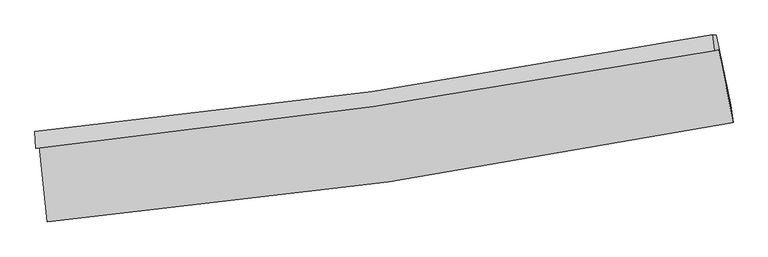
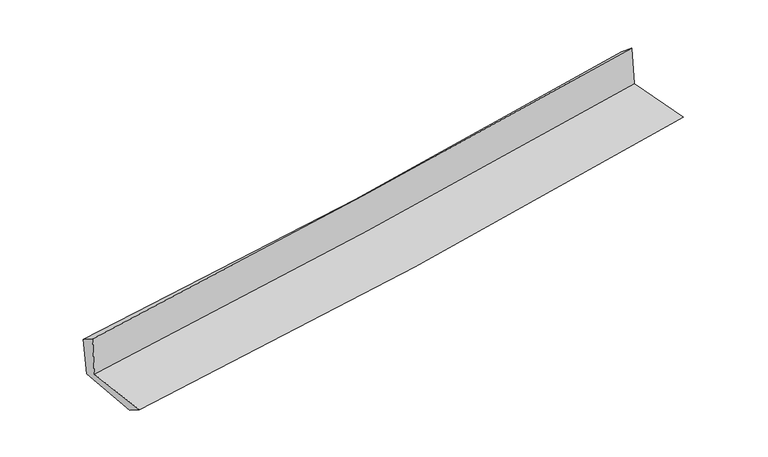
"""IFC4 building model written with IfcOpenShell, lengths in millimetres: proxy geometry."""

import ifcopenshell
import ifcopenshell.guid

model = None  # the IFC model being written
_history = None  # IfcOwnerHistory: only IFC2X3 demands one
_inside = {}  # id of a spatial element -> (the spatial element, [elements in it])
_under = {}  # id of a project, library or spatial element -> (it, [spatial elements below it])
_declared = {}  # id of a project -> (the project, [libraries it declares])
_typed = {}  # id of a type object -> (the type object, [elements of that type])
_made_of = {}  # id of a material, layer set ... -> (it, [elements and type objects made of it])


def new_model(schema):
    """Start an empty IFC model of exactly this schema.

    Asked for "IFC4X3", IfcOpenShell would pick the latest addendum, in which some entities
    have other attributes; the version numbers below select the first issue.
    IFC2X3 requires an IfcOwnerHistory on every rooted entity: one is made here for all.
    """
    global model, _history
    if schema == "IFC4X3":
        model = ifcopenshell.file(schema_version=(4, 3, 0, 0))
    else:
        model = ifcopenshell.file(schema=schema)
    _inside.clear()
    _under.clear()
    _declared.clear()
    _typed.clear()
    _made_of.clear()
    _history = None
    if model.schema == "IFC2X3":
        org = make("IfcOrganization", Name="unknown")
        user = make(
            "IfcPersonAndOrganization",
            ThePerson=make("IfcPerson", FamilyName="unknown"),
            TheOrganization=org,
        )
        app = make(
            "IfcApplication",
            ApplicationDeveloper=org,
            Version="unknown",
            ApplicationFullName="unknown",
            ApplicationIdentifier="unknown",
        )
        _history = make(
            "IfcOwnerHistory",
            OwningUser=user,
            OwningApplication=app,
            ChangeAction="ADDED",
            CreationDate=0,
        )
    return model


def make(cls, **values):
    """One entity of the class cls with the attributes given. An attribute that is None is left unset."""
    return model.create_entity(
        cls, **{name: value for name, value in values.items() if value is not None}
    )


def rooted(cls, **values):
    """An entity with a GlobalId (a new one), such as an element, a storey or a relation."""
    return make(cls, GlobalId=ifcopenshell.guid.new(), OwnerHistory=_history, **values)


def si_unit(unit_type, name, prefix=None):
    """IfcSIUnit, for example si_unit("LENGTHUNIT", "METRE", prefix="MILLI")."""
    return make("IfcSIUnit", UnitType=unit_type, Prefix=prefix, Name=name)


def assignment(units):
    """IfcUnitAssignment: the units of a project."""
    return None if units is None else make("IfcUnitAssignment", Units=units)


def point(xyz):
    """IfcCartesianPoint."""
    return None if xyz is None else make("IfcCartesianPoint", Coordinates=xyz)


def direction(xyz):
    """IfcDirection."""
    return None if xyz is None else make("IfcDirection", DirectionRatios=xyz)


def frame(location, z_axis=None, x_axis=None):
    """IfcAxis2Placement3D, a coordinate frame: its origin and axes. An axis left out is left unset."""
    return make(
        "IfcAxis2Placement3D",
        Location=point(location),
        Axis=direction(z_axis),
        RefDirection=direction(x_axis),
    )


def origin():
    """The frame at (0, 0, 0) with its axes left unset."""
    return frame((0.0, 0.0, 0.0))


def place(relative_to, where):
    """IfcLocalPlacement: puts the frame where relative to a parent placement (None: the world)."""
    return make(
        "IfcLocalPlacement", PlacementRelTo=relative_to, RelativePlacement=where
    )


def context(
    kind, dimensions, precision=None, world=None, true_north=None, identifier=None
):
    """IfcGeometricRepresentationContext, for example the 3D "Model" context."""
    return make(
        "IfcGeometricRepresentationContext",
        ContextIdentifier=identifier,
        ContextType=kind,
        CoordinateSpaceDimension=dimensions,
        Precision=precision,
        WorldCoordinateSystem=world,
        TrueNorth=true_north,
    )


def project(units=None, contexts=None):
    """IfcProject with its units and contexts."""
    return rooted(
        "IfcProject",
        Name="project",
        RepresentationContexts=contexts,
        UnitsInContext=assignment(units),
    )


def spatial(cls, under=None, at=None, **own):
    """A site, building, storey or space (cls), placed at a placement, below another one or the project."""
    s = rooted(cls, ObjectPlacement=at, **own)
    if under is not None:
        _under.setdefault(under.id(), (under, []))[1].append(s)
    return s


def shape(context_of_items, identifier, shape_type, items):
    """IfcShapeRepresentation: the items that make up one representation, for example the "Body"."""
    return make(
        "IfcShapeRepresentation",
        ContextOfItems=context_of_items,
        RepresentationIdentifier=identifier,
        RepresentationType=shape_type,
        Items=items,
    )


def source(mapping_origin, context_of_items, identifier, shape_type, items):
    """IfcRepresentationMap: a shape defined once, which mapped items show again and again."""
    return make(
        "IfcRepresentationMap",
        MappingOrigin=mapping_origin,
        MappedRepresentation=shape(context_of_items, identifier, shape_type, items),
    )


def transform(
    local_origin,
    x_axis=None,
    y_axis=None,
    z_axis=None,
    scale=None,
    scale2=None,
    scale3=None,
    uniform=True,
):
    """IfcCartesianTransformationOperator3D, or its non-uniform kind. x_axis, y_axis, z_axis: its Axis1, 2, 3."""
    if uniform:
        return make(
            "IfcCartesianTransformationOperator3D",
            Axis1=direction(x_axis),
            Axis2=direction(y_axis),
            LocalOrigin=point(local_origin),
            Scale=scale,
            Axis3=direction(z_axis),
        )
    return make(
        "IfcCartesianTransformationOperator3DnonUniform",
        Axis1=direction(x_axis),
        Axis2=direction(y_axis),
        LocalOrigin=point(local_origin),
        Scale=scale,
        Axis3=direction(z_axis),
        Scale2=scale2,
        Scale3=scale3,
    )


def mapped(mapping_source, mapping_target):
    """IfcMappedItem: shows the shape of a source again, moved by a transform."""
    return make(
        "IfcMappedItem", MappingSource=mapping_source, MappingTarget=mapping_target
    )


def made_of(thing, what):
    """Note that an element or type object is made of a material, layer set ...; save() writes the relation."""
    if what is not None:
        _made_of.setdefault(what.id(), (what, []))[1].append(thing)
    return thing


def element(
    cls,
    number,
    at=None,
    inside=None,
    cuts=None,
    type_object=None,
    material=None,
    context=None,
    identifier="Body",
    shape_type=None,
    held_by="IfcProductDefinitionShape",
    body=None,
    shapes=None,
    **own,
):
    """One element of the class cls, such as IfcWall. Its Tag is "e" and its number.

    at: its placement. inside: the storey or other place that contains it. cuts: it is an
    opening in that element (IfcRelVoidsElement). A single representation is given by context,
    identifier, shape_type and body (its items); several are given by shapes. held_by: the class
    of the entity that holds the representations. save() writes the other relations.
    """
    e = rooted(cls, Tag="e%d" % number, ObjectPlacement=at, **own)
    if body is not None:
        shapes = [shape(context, identifier, shape_type, body)]
    if shapes is not None:
        e.Representation = make(held_by, Representations=shapes)
    if inside is not None:
        _inside.setdefault(inside.id(), (inside, []))[1].append(e)
    if cuts is not None:
        rooted(
            "IfcRelVoidsElement", RelatingBuildingElement=cuts, RelatedOpeningElement=e
        )
    if type_object is not None:
        _typed.setdefault(type_object.id(), (type_object, []))[1].append(e)
    return made_of(e, material)


def aggregate(whole, parts):
    """IfcRelAggregates: a whole, such as a stair, and the parts it consists of."""
    return rooted("IfcRelAggregates", RelatingObject=whole, RelatedObjects=parts)


def save(model, path):
    """Write the relations noted so far, then the file.

    IfcRelAggregates (storeys below a building ...), IfcRelContainedInSpatialStructure (elements
    in a storey), IfcRelDefinesByType, IfcRelAssociatesMaterial and IfcRelDeclares: one each for
    every whole, place, type object, material and project.
    """
    for whole, parts in _under.values():
        aggregate(whole, parts)
    for where, things in _inside.values():
        rooted(
            "IfcRelContainedInSpatialStructure",
            RelatedElements=things,
            RelatingStructure=where,
        )
    for kind, things in _typed.values():
        rooted("IfcRelDefinesByType", RelatedObjects=things, RelatingType=kind)
    for what, things in _made_of.values():
        rooted("IfcRelAssociatesMaterial", RelatedObjects=things, RelatingMaterial=what)
    for by, libraries in _declared.values():
        rooted("IfcRelDeclares", RelatingContext=by, RelatedDefinitions=libraries)
    model.write(path)


def plane_surface(at):
    """IfcPlane: the flat surface through the origin of the frame at, square to its z axis."""
    return make("IfcPlane", Position=at)


def spline_curve(degree, points, multiplicities, knots, weights=None):
    """IfcBSplineCurveWithKnots; with weights, IfcRationalBSplineCurveWithKnots."""
    own = dict(
        Degree=degree,
        ControlPointsList=[point(p) for p in points],
        CurveForm="UNSPECIFIED",
        ClosedCurve=False,
        SelfIntersect=False,
        KnotMultiplicities=multiplicities,
        Knots=knots,
        KnotSpec="UNSPECIFIED",
    )
    if weights is None:
        return make("IfcBSplineCurveWithKnots", **own)
    return make("IfcRationalBSplineCurveWithKnots", WeightsData=weights, **own)


def spline_surface(u_degree, v_degree, points, u_multiplicities, v_multiplicities, u_knots, v_knots, weights=None):
    """IfcBSplineSurfaceWithKnots; with weights, IfcRationalBSplineSurfaceWithKnots. points: one row for each step in u."""
    own = dict(
        UDegree=u_degree,
        VDegree=v_degree,
        ControlPointsList=[[point(p) for p in row] for row in points],
        SurfaceForm="UNSPECIFIED",
        UClosed=False,
        VClosed=False,
        SelfIntersect=False,
        UMultiplicities=u_multiplicities,
        VMultiplicities=v_multiplicities,
        UKnots=u_knots,
        VKnots=v_knots,
        KnotSpec="UNSPECIFIED",
    )
    if weights is None:
        return make("IfcBSplineSurfaceWithKnots", **own)
    return make("IfcRationalBSplineSurfaceWithKnots", WeightsData=weights, **own)


def advanced_brep(points, edges, surfaces, faces):
    """IfcAdvancedBrep: a solid bounded by faces that lie on surfaces and meet in shared edges.

    An edge is (start, end): straight between two places in points (the first is 0);
    or (start, end, curve); or (start, end, curve, False) where it runs against its curve.
    A face is (place in surfaces, loops), or (place, loops, False) where it looks against
    its surface's normal. A loop lists edges by number (the first is 1), with a minus sign
    where the edge is run from its end to its start. The first loop is the outer one.
    """
    corners = [point(p) for p in points]
    vertices = [make("IfcVertexPoint", VertexGeometry=c) for c in corners]
    made = []
    for start, end, *more in edges:
        made.append(
            make(
                "IfcEdgeCurve",
                EdgeStart=vertices[start],
                EdgeEnd=vertices[end],
                EdgeGeometry=more[0] if more else make("IfcPolyline", Points=[corners[start], corners[end]]),
                SameSense=more[1] if len(more) > 1 else True,
            )
        )
    hull = []
    for where, loops, *sense in faces:
        bounds = []
        for j, loop in enumerate(loops):
            ring = [make("IfcOrientedEdge", EdgeElement=made[abs(k) - 1], Orientation=k > 0) for k in loop]
            bounds.append(
                make(
                    "IfcFaceOuterBound" if j == 0 else "IfcFaceBound",
                    Bound=make("IfcEdgeLoop", EdgeList=ring),
                    Orientation=True,
                )
            )
        hull.append(make("IfcAdvancedFace", Bounds=bounds, FaceSurface=surfaces[where], SameSense=sense[0] if sense else True))
    return make("IfcAdvancedBrep", Outer=make("IfcClosedShell", CfsFaces=hull))


def generic_models_75d12159(model_context):
    return source(origin(), model_context, "Body", "AdvancedBrep", [
        advanced_brep(
        [(-3026.4058825, -1899.6641896, 1615.1033071), (-2956.8111177, -2573.5714027, 1616.0274671), (3118.7601188, -1693.1365208, 2120.1912316), (2989.9476312, -1043.9188183, 2133.9545376), (-3056.7695778, -1920.6051437, 2021.080933), (2958.2830551, -1055.4755306, 2540.3174737), (-3064.9424174, -1769.9589587, 1928.7113544), (2940.5836128, -913.5494336, 2418.0737037), (-3033.986583, -1775.0000301, 1548.8668709), (2971.5955486, -918.1569097, 2057.5854242), (-2965.2999284, -2417.0034215, 1519.9607891), (3095.8340532, -1535.8998853, 2024.4811088)],
        [
            (0, 1),
            (1, 2, spline_curve(3, [(-2956.8111177, -2573.5714027, 1616.0274671), (-1945.738364552, -2483.151926057, 1713.217453382), (-937.921918053, -2365.378839459, 1803.545779238), (1087.374207136, -2072.788556761, 1971.823125015), (2104.748172989, -1897.08334891, 2049.54938753), (3118.7601188, -1693.1365208, 2120.1912316)], [4, 2, 4], [0.0, 9.977777373018402, 20.11622107818425])),
            (2, 3),
            (3, 0, spline_curve(3, [(2989.9476312, -1043.9188183, 2133.9545376), (1983.731428431, -1226.519096414, 2058.760503581), (975.238154831, -1389.545819452, 1977.532740473), (-1030.284614846, -1674.178818431, 1804.392609381), (-2027.242512629, -1796.400552627, 1712.66996246), (-3026.4058825, -1899.6641896, 1615.1033071)], [4, 2, 4], [0.0, 10.138443705165848, 20.11622107818425])),
            (4, 0),
            (3, 5),
            (5, 4, spline_curve(3, [(2958.2830551, -1055.4755306, 2540.3174737), (1952.173500491, -1238.680464272, 2466.448772043), (943.843270811, -1402.801662307, 2385.845758218), (-1061.244099122, -1690.578143882, 2212.555162184), (-2057.931413444, -1814.833483225, 2120.0793289), (-3056.7695778, -1920.6051437, 2021.080933)], [4, 2, 4], [0.0, 10.087262658612213, 20.0146700633119])),
            (6, 4),
            (5, 7),
            (7, 6, spline_curve(3, [(2940.5836128, -913.5494336, 2418.0737037), (1938.07107055, -1104.159910468, 2340.605265308), (932.331597838, -1271.21597849, 2260.746200606), (-1069.611877733, -1555.945190549, 2097.550248045), (-2065.714415198, -1674.358964532, 2014.288530019), (-3064.9424174, -1769.9589587, 1928.7113544)], [4, 2, 4], [0.0, 10.076821133921309, 19.99395248325881])),
            (8, 6),
            (7, 9),
            (9, 8, spline_curve(3, [(2971.5955486, -918.1569097, 2057.5854242), (1969.590439195, -1108.631705273, 1970.178389126), (964.097906526, -1275.657186599, 1883.750828978), (-1037.872460441, -1560.534235283, 1714.208776169), (-2034.240638021, -1679.123127433, 1631.063484911), (-3033.986583, -1775.0000301, 1548.8668709)], [4, 2, 4], [0.0, 10.06787254898665, 19.976197123746303])),
            (10, 8),
            (9, 11),
            (11, 10, spline_curve(3, [(3095.8340532, -1535.8998853, 2024.4811088), (2086.337792531, -1745.614177787, 1940.316061501), (1072.426035839, -1924.236700331, 1855.85201222), (-948.090796313, -2216.960249701, 1687.669170637), (-1954.557032965, -2332.038906015, 1603.959779833), (-2965.2999284, -2417.0034215, 1519.9607891)], [4, 2, 4], [0.0, 10.118184994723885, 20.076024701909873])),
            (1, 10),
            (11, 2),
        ],
        [
            spline_surface(3, 3, [[(-3026.4058825, -1899.6641896, 1615.1033071), (-2027.24251279, -1796.400552676, 1712.669962525), (-1030.284614977, -1674.178818509, 1804.392609544), (975.238154964, -1389.545819373, 1977.532740307), (1983.731428391, -1226.519096467, 2058.760503466), (2989.9476312, -1043.9188183, 2133.9545376)], [(-3003.207627589, -2124.299927305, 1615.411360424), (-2000.074463374, -2025.317677137, 1712.852459447), (-999.497049351, -1904.578825529, 1804.110332746), (1012.616839055, -1617.293398427, 1975.629535241), (2024.070343259, -1450.040514015, 2055.690131458), (3032.885127073, -1260.324719164, 2129.366768942)], [(-2980.009372611, -2348.935664995, 1615.719413776), (-1972.90641389, -2254.234801582, 1713.034956395), (-968.709483752, -2134.978832605, 1803.828055945), (1049.995523118, -1845.040977538, 1973.726330172), (2064.409258108, -1673.561931471, 2052.619759424), (3075.822622927, -1476.730619936, 2124.779000258)], [(-2956.8111177, -2573.5714027, 1616.0274671), (-1945.738364475, -2483.151926043, 1713.217453317), (-937.921918126, -2365.378839625, 1803.545779148), (1087.374207209, -2072.788556592, 1971.823125106), (2104.748172975, -1897.08334902, 2049.549387417), (3118.7601188, -1693.1365208, 2120.1912316)]], [4, 4], [4, 2, 4], [0.0, 2.279373642226551], [0.0, 9.977777373018402, 20.11622107818425]),
            spline_surface(3, 3, [[(-3056.7695778, -1920.6051437, 2021.080933), (-2057.931413442, -1814.833483385, 2120.079328952), (-1061.244099041, -1690.578143737, 2212.55516211), (943.843270729, -1402.801662454, 2385.845758293), (1952.173500598, -1238.680464407, 2466.448772015), (2958.2830551, -1055.4755306, 2540.3174737)], [(-3046.64834601, -1913.624825651, 1885.755057707), (-2047.701779868, -1808.689173133, 1984.276206816), (-1050.924271019, -1685.111702005, 2076.500977915), (954.308232141, -1398.383048104, 2249.741418958), (1962.692809868, -1234.626675067, 2330.55268249), (2968.837913805, -1051.62329314, 2404.863161659)], [(-3036.52711429, -1906.644507649, 1750.429182393), (-2037.472146364, -1802.544862928, 1848.473084661), (-1040.604442999, -1679.645260242, 1940.446793739), (964.773193552, -1393.964433723, 2113.637079642), (1973.212119121, -1230.572885807, 2194.65659299), (2979.392772495, -1047.77105576, 2269.408849641)], [(-3026.4058825, -1899.6641896, 1615.1033071), (-2027.24251279, -1796.400552676, 1712.669962525), (-1030.284614977, -1674.178818509, 1804.392609544), (975.238154964, -1389.545819373, 1977.532740307), (1983.731428391, -1226.519096467, 2058.760503466), (2989.9476312, -1043.9188183, 2133.9545376)]], [4, 4], [4, 2, 4], [0.0, 1.3441449774654415], [0.0, 9.927407404699688, 20.0146700633119]),
            spline_surface(3, 3, [[(-3064.9424174, -1769.9589587, 1928.7113544), (-2065.714415078, -1674.358964581, 2014.288529901), (-1069.611877723, -1555.945190711, 2097.550248137), (932.331597828, -1271.215978325, 2260.746200513), (1938.071070524, -1104.159910521, 2340.6052654), (2940.5836128, -913.5494336, 2418.0737037)], [(-3062.218137552, -1820.174353699, 1959.501213939), (-2063.120081219, -1721.183804181, 2049.55212959), (-1066.822618171, -1600.822841724, 2135.885219472), (936.16882212, -1315.077873039, 2302.446053117), (1942.771880536, -1149.000095159, 2382.553100965), (2946.483426888, -960.858132609, 2458.82162706)], [(-3059.493857648, -1870.389748701, 1990.291073461), (-2060.525747302, -1768.008643785, 2084.815729263), (-1064.033358593, -1645.700492724, 2174.220190775), (940.006046437, -1358.93976774, 2344.145905689), (1947.472690586, -1193.84027977, 2424.50093645), (2952.383241012, -1008.166831591, 2499.56955034)], [(-3056.7695778, -1920.6051437, 2021.080933), (-2057.931413442, -1814.833483385, 2120.079328952), (-1061.244099041, -1690.578143737, 2212.55516211), (943.843270729, -1402.801662454, 2385.845758293), (1952.173500598, -1238.680464407, 2466.448772015), (2958.2830551, -1055.4755306, 2540.3174737)]], [4, 4], [4, 2, 4], [0.0, 0.5891172217795819], [0.0, 9.9171313493375, 19.99395248325881]),
            spline_surface(3, 3, [[(-3033.986583, -1775.0000301, 1548.8668709), (-2034.240638104, -1679.123127442, 1631.063484834), (-1037.872460346, -1560.534235278, 1714.208776007), (964.097906429, -1275.657186604, 1883.750829142), (1969.590439212, -1108.631705301, 1970.178389049), (2971.5955486, -918.1569097, 2057.5854242)], [(-3044.305194461, -1773.319672997, 1675.481698749), (-2044.731897089, -1677.535073186, 1758.805166538), (-1048.452266131, -1559.004553739, 1841.989266718), (953.509136902, -1274.176783828, 2009.415952933), (1959.083983, -1107.141107058, 2093.654014494), (2961.258236684, -916.621084351, 2177.748184028)], [(-3054.623805939, -1771.639315803, 1802.096526551), (-2055.223156093, -1675.947018838, 1886.546848196), (-1059.032071938, -1557.47487225, 1969.769757426), (942.920367355, -1272.696381101, 2135.081076721), (1948.577526736, -1105.650508764, 2217.129639955), (2950.920924716, -915.085258949, 2297.910943872)], [(-3064.9424174, -1769.9589587, 1928.7113544), (-2065.714415078, -1674.358964581, 2014.288529901), (-1069.611877723, -1555.945190711, 2097.550248137), (932.331597828, -1271.215978325, 2260.746200513), (1938.071070524, -1104.159910521, 2340.6052654), (2940.5836128, -913.5494336, 2418.0737037)]], [4, 4], [4, 2, 4], [0.0, 1.2515346004723393], [0.0, 9.908324574759654, 19.976197123746303]),
            spline_surface(3, 3, [[(-2965.2999284, -2417.0034215, 1519.9607891), (-1954.557033089, -2332.038906137, 1603.959779954), (-948.090796156, -2216.960249816, 1687.669170682), (1072.42603568, -1924.236700214, 1855.852012174), (2086.33779259, -1745.614177825, 1940.316061389), (3095.8340532, -1535.8998853, 2024.4811088)], [(-2988.195479927, -2203.002291011, 1529.596149676), (-1981.118234754, -2114.400313216, 1612.994348223), (-978.018017574, -1998.151578319, 1696.515705777), (1036.316659241, -1708.043529026, 1865.151617817), (2047.422008122, -1533.286686972, 1950.270170616), (3054.421218325, -1329.985560089, 2035.515880607)], [(-3011.091031473, -1989.001160589, 1539.231510324), (-2007.679436439, -1896.761720363, 1622.028916564), (-1007.945238927, -1779.342906775, 1705.362240912), (1000.207282868, -1491.850357792, 1874.451223499), (2008.50622368, -1320.959196153, 1960.224279822), (3013.008383475, -1124.071234911, 2046.550652393)], [(-3033.986583, -1775.0000301, 1548.8668709), (-2034.240638104, -1679.123127442, 1631.063484834), (-1037.872460346, -1560.534235278, 1714.208776007), (964.097906429, -1275.657186604, 1883.750829142), (1969.590439212, -1108.631705301, 1970.178389049), (2971.5955486, -918.1569097, 2057.5854242)]], [4, 4], [4, 2, 4], [0.0, 2.166991383426818], [0.0, 9.957839707185988, 20.076024701909873]),
            spline_surface(3, 3, [[(-2956.8111177, -2573.5714027, 1616.0274671), (-1945.738364475, -2483.151926043, 1713.217453317), (-937.921918126, -2365.378839625, 1803.545779148), (1087.374207209, -2072.788556592, 1971.823125106), (2104.748172975, -1897.08334902, 2049.549387417), (3118.7601188, -1693.1365208, 2120.1912316)], [(-2959.640721261, -2521.382075637, 1584.005241106), (-1948.677920673, -2432.780919412, 1676.798228868), (-941.311544122, -2315.905976361, 1764.920242999), (1082.39148338, -2023.271271138, 1933.166087469), (2098.611379505, -1846.593625269, 2013.138278712), (3111.118096925, -1640.724308947, 2088.287857305)], [(-2962.470324839, -2469.192748563, 1551.983015094), (-1951.617476891, -2382.409912769, 1640.379004403), (-944.701170159, -2266.43311308, 1726.294706831), (1077.408759509, -1973.753985668, 1894.509049811), (2092.47458606, -1796.103901576, 1976.727170094), (3103.476075075, -1588.312097153, 2056.384483095)], [(-2965.2999284, -2417.0034215, 1519.9607891), (-1954.557033089, -2332.038906137, 1603.959779954), (-948.090796156, -2216.960249816, 1687.669170682), (1072.42603568, -1924.236700214, 1855.852012174), (2086.33779259, -1745.614177825, 1940.316061389), (3095.8340532, -1535.8998853, 2024.4811088)]], [4, 4], [4, 2, 4], [0.0, 0.6194208249950214], [0.0, 10.017225706639314, 20.195752958944603]),
            plane_surface(frame((3012.50067, -1193.356183, 2215.7672466), z_axis=(0.9779314091440826, 0.19230176709638624, 0.0816712273758413), x_axis=(-0.08570405742966548, 0.012733142329431686, 0.9962392692654266))),
            plane_surface(frame((-3017.3692511, -2059.3005244, 1708.2917869), z_axis=(-0.9915545176680521, -0.10250732463462028, -0.07944738440206284), x_axis=(-0.10272413452885899, 0.9947089481066038, -0.001364090154887579))),
        ],
        [
            (0, [[1, 2, 3, 4]]),
            (1, [[5, -4, 6, 7]]),
            (2, [[8, -7, 9, 10]]),
            (3, [[11, -10, 12, 13]]),
            (4, [[14, -13, 15, 16]]),
            (5, [[17, -16, 18, -2]]),
            (6, [[-12, -9, -6, -3, -18, -15]]),
            (7, [[-1, -5, -8, -11, -14, -17]]),
        ],
    ),
    ])


if __name__ == "__main__":
    model = new_model("IFC4")
    model_context = context("Model", 3, world=origin())
    ifc_project = project(units=[si_unit("LENGTHUNIT", "METRE", prefix="MILLI")], contexts=[model_context])
    site = spatial("IfcSite", under=ifc_project)
    building = spatial("IfcBuilding", under=site)
    placement = place(None, origin())
    generic_models_shape = generic_models_75d12159(model_context)
    element("IfcBuildingElementProxy", 1, Name="Generic Models", at=placement, inside=building, context=model_context, shape_type="MappedRepresentation", body=[
        mapped(generic_models_shape, transform((0.0, 0.0, 0.0), x_axis=(1.0, 0.0, 0.0), y_axis=(0.0, 1.0, 0.0), z_axis=(0.0, 0.0, 1.0))),
    ])
    save(model, "model.ifc")
